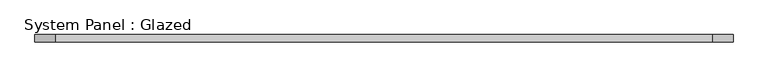
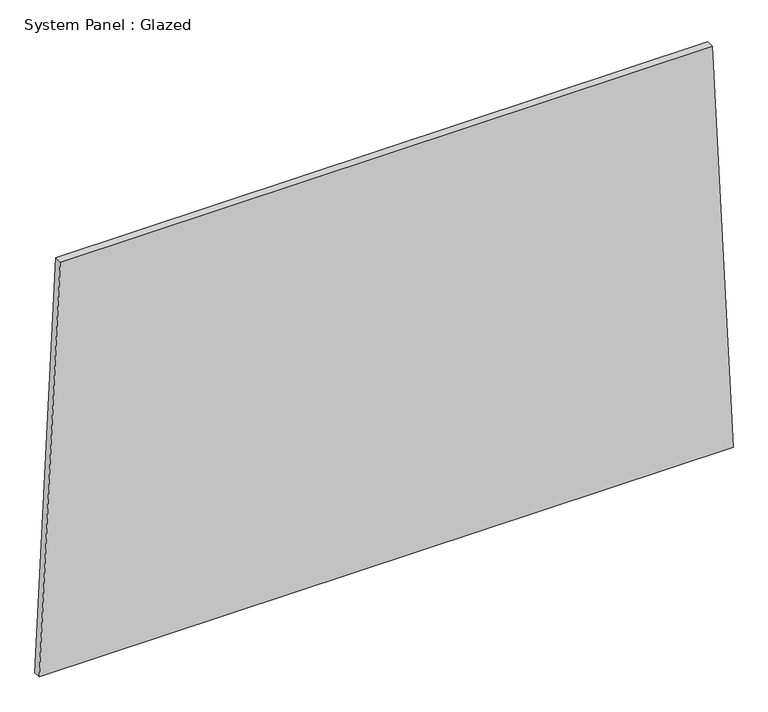
"""IFC4 building model written with IfcOpenShell, lengths in millimetres: plate geometry, System Panel : Glazed."""

from ifc_helpers import new_model, si_unit, frame, origin, place, context, project, spatial, polyline, outline, extrude, source, transform, mapped, element, save


def system_panel_glazed_a8cd6845(model_context):
    return source(origin(), model_context, "Body", "SweptSolid", [
        extrude(outline(polyline([(0.0, -1164.8478027), (0.0, 1164.8478027), (1448.2422514, 1094.6717963), (1448.2417992, -1094.6662231), (0.0, -1164.8478027)])), frame((0.0, -49.5, 0.0), z_axis=(0.0, 1.0, 0.0), x_axis=(0.0, 0.0, 1.0)), (0.0, 0.0, 1.0), 25.0),
    ])


if __name__ == "__main__":
    model = new_model("IFC4")
    model_context = context("Model", 3, world=origin())
    ifc_project = project(units=[si_unit("LENGTHUNIT", "METRE", prefix="MILLI")], contexts=[model_context])
    site = spatial("IfcSite", under=ifc_project)
    building = spatial("IfcBuilding", under=site)
    placement = place(None, origin())
    system_panel_glazed_shape = system_panel_glazed_a8cd6845(model_context)
    element("IfcPlate", 1, ObjectType="System Panel : Glazed", at=placement, inside=building, context=model_context, shape_type="MappedRepresentation", body=[
        mapped(system_panel_glazed_shape, transform((0.0, 0.0, 0.0), x_axis=(1.0, 0.0, 0.0), y_axis=(0.0, 1.0, 0.0), z_axis=(0.0, 0.0, 1.0))),
    ])
    save(model, "model.ifc")
